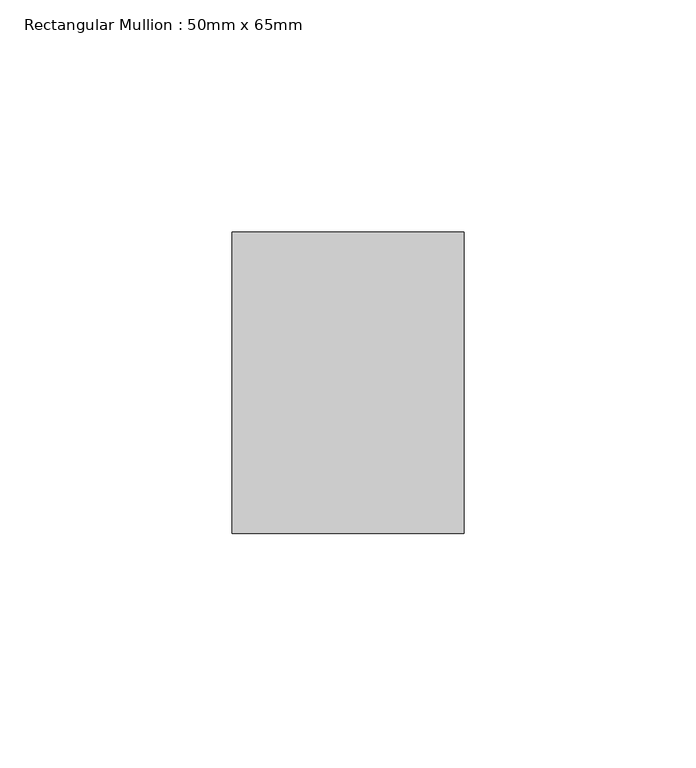
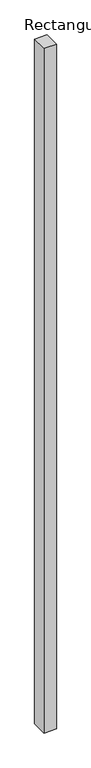
"""IFC4 building model written with IfcOpenShell, lengths in millimetres: member geometry, Rectangular Mullion : 50mm x 65mm."""

from ifc_helpers import new_model, si_unit, frame, origin, place, context, project, spatial, polyline, outline, extrude, source, transform, mapped, element, save


def rectangular_mullion_50mm_x_65mm_7bea8695(model_context):
    return source(origin(), model_context, "Body", "SweptSolid", [
        extrude(outline(polyline([(25.0, 32.5), (25.0, -32.5), (-25.0, -32.5), (-25.0, 32.5), (25.0, 32.5)])), frame((0.0, 0.0, -2924.9803773), z_axis=(0.0, 0.0, 1.0), x_axis=(1.0, 0.0, 0.0)), (0.0, 0.0, 1.0), 2924.9803773),
    ])


if __name__ == "__main__":
    model = new_model("IFC4")
    model_context = context("Model", 3, world=origin())
    ifc_project = project(units=[si_unit("LENGTHUNIT", "METRE", prefix="MILLI")], contexts=[model_context])
    site = spatial("IfcSite", under=ifc_project)
    building = spatial("IfcBuilding", under=site)
    placement = place(None, origin())
    rectangular_mullion_50mm_x_65mm_shape = rectangular_mullion_50mm_x_65mm_7bea8695(model_context)
    element("IfcMember", 1, ObjectType="Rectangular Mullion : 50mm x 65mm", at=placement, inside=building, context=model_context, shape_type="MappedRepresentation", body=[
        mapped(rectangular_mullion_50mm_x_65mm_shape, transform((0.0, 0.0, 0.0), x_axis=(1.0, 0.0, 0.0), y_axis=(0.0, 1.0, 0.0), z_axis=(0.0, 0.0, 1.0))),
    ])
    save(model, "model.ifc")
